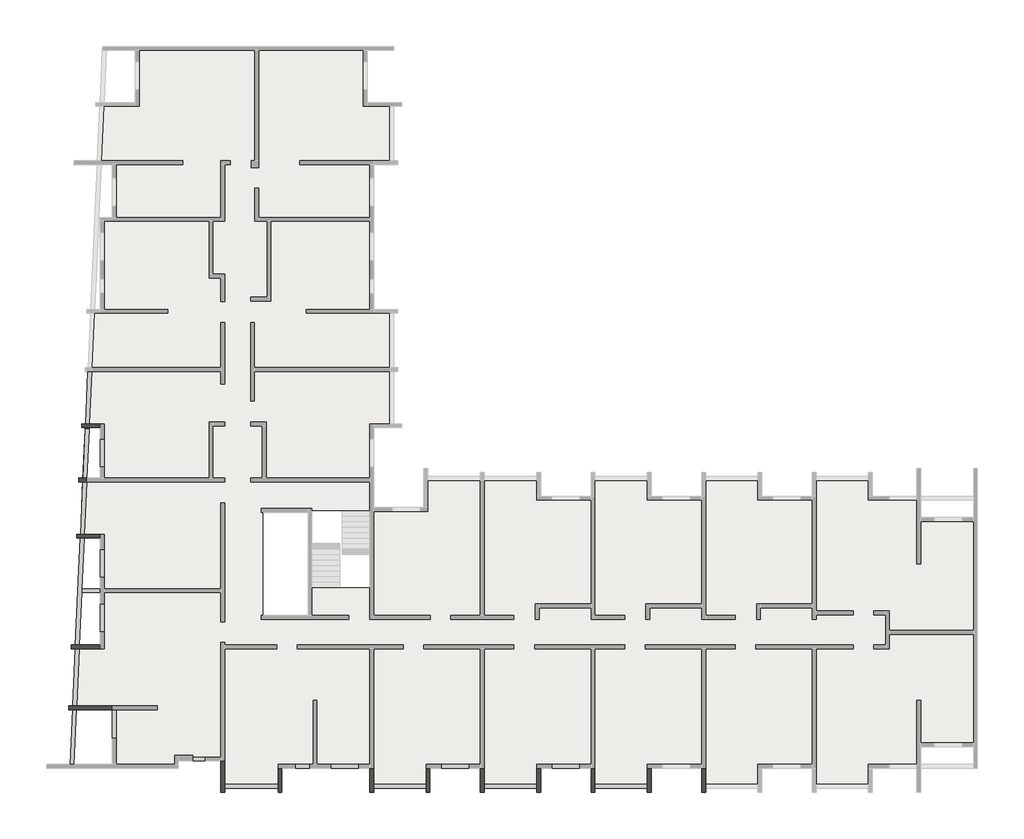
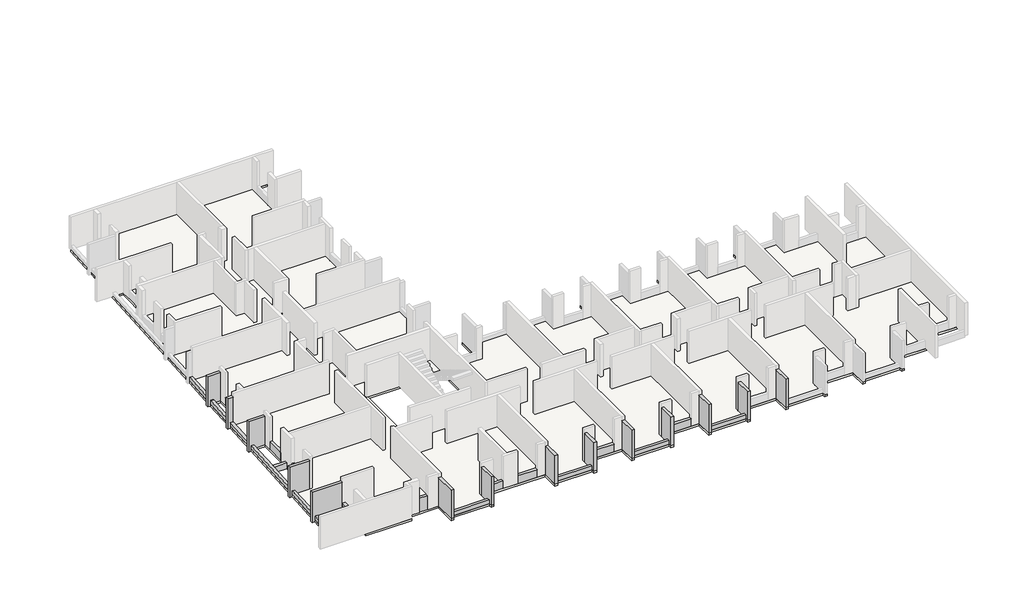
# One storey, part 3 of 4: 35 beams, 1 slab.
"""IFC4 building model written with IfcOpenShell, lengths in millimetres."""

from ifc_helpers import new_model, si_unit, frame, origin, place, context, project, spatial, polyline, outline, extrude, faceted_brep, element, save

model = new_model("IFC4")

# Units and contexts
model_context = context("Model", 3, world=origin())
ifc_project = project(units=[si_unit("LENGTHUNIT", "METRE", prefix="MILLI")], contexts=[model_context])

# Site, building, storey
site = spatial("IfcSite", under=ifc_project)
building = spatial("IfcBuilding", under=site)
storey = spatial("IfcBuildingStorey", under=building, Elevation=7230.0)

# Beams
placement = place(None, origin())
element("IfcBeam", 1, ObjectType="VI. 20/125", at=placement, inside=storey, context=model_context, shape_type="SweptSolid", body=[
    extrude(outline(polyline([(-37760.6912908, -18849.0672499), (-37760.6912908, -19049.0672499), (-38350.6912908, -19049.0672499), (-38350.6912908, -18849.0672499), (-37760.6912908, -18849.0672499)])), frame((0.0, 0.0, 7230.0), z_axis=(0.0, 0.0, 1.0), x_axis=(1.0, 0.0, 0.0)), (0.0, 0.0, 1.0), 1100.0),
])
element("IfcBeam", 2, ObjectType="VI. 20/238", at=placement, inside=storey, context=model_context, shape_type="Brep", body=[
    faceted_brep([(-11995.6912908, -20669.0672499, 9460.0), (-12195.6912908, -20669.0672499, 9460.0), (-12195.6912908, -20669.0672499, 7230.0), (-11995.6912908, -20669.0672499, 7230.0), (-12195.6912908, -19419.0672499, 9460.0), (-11995.6912908, -19419.0672499, 9460.0), (-11995.6912908, -19419.0672499, 7230.0), (-12195.6912908, -19419.0672499, 7230.0), (-11995.6912908, -20449.0672499, 7230.0), (-11995.6912908, -20249.0672499, 7230.0)], [[[0, 1, 2, 3]], [[4, 5, 6, 7]], [[1, 4, 7, 2]], [[5, 0, 3, 8, 9, 6]], [[1, 0, 5, 4]], [[3, 2, 7, 6, 9, 8]]]),
])
element("IfcBeam", 3, ObjectType="VI. 20/238", at=placement, inside=storey, context=model_context, shape_type="Brep", body=[
    faceted_brep([(-14795.6912908, -20669.0672499, 9460.0), (-14995.6912908, -20669.0672499, 9460.0), (-14995.6912908, -20669.0672499, 7230.0), (-14795.6912908, -20669.0672499, 7230.0), (-14995.6912908, -19419.0672499, 9460.0), (-14795.6912908, -19419.0672499, 9460.0), (-14795.6912908, -19419.0672499, 7230.0), (-14995.6912908, -19419.0672499, 7230.0), (-14995.6912908, -20249.0672499, 7230.0), (-14995.6912908, -20449.0672499, 7230.0)], [[[0, 1, 2, 3]], [[4, 5, 6, 7]], [[1, 4, 7, 8, 9, 2]], [[5, 0, 3, 6]], [[1, 0, 5, 4]], [[3, 2, 9, 8, 7, 6]]]),
])
element("IfcBeam", 4, ObjectType="VI. 20/238", at=placement, inside=storey, context=model_context, shape_type="Brep", body=[
    faceted_brep([(-17685.6912908, -20669.0672499, 9460.0), (-17885.6912908, -20669.0672499, 9460.0), (-17885.6912908, -20669.0672499, 7230.0), (-17685.6912908, -20669.0672499, 7230.0), (-17885.6912908, -19419.0672499, 9460.0), (-17685.6912908, -19419.0672499, 9460.0), (-17685.6912908, -19419.0672499, 7230.0), (-17885.6912908, -19419.0672499, 7230.0), (-17685.6912908, -20449.0672499, 7230.0), (-17685.6912908, -20249.0672499, 7230.0)], [[[0, 1, 2, 3]], [[4, 5, 6, 7]], [[1, 4, 7, 2]], [[5, 0, 3, 8, 9, 6]], [[1, 0, 5, 4]], [[3, 2, 7, 6, 9, 8]]]),
])
element("IfcBeam", 5, ObjectType="VI. 20/238", at=placement, inside=storey, context=model_context, shape_type="Brep", body=[
    faceted_brep([(-20485.6912908, -20669.0672499, 9460.0), (-20685.6912908, -20669.0672499, 9460.0), (-20685.6912908, -20669.0672499, 7230.0), (-20485.6912908, -20669.0672499, 7230.0), (-20685.6912908, -19419.0672499, 9460.0), (-20485.6912908, -19419.0672499, 9460.0), (-20485.6912908, -19419.0672499, 7230.0), (-20685.6912908, -19419.0672499, 7230.0), (-20685.6912908, -20249.0672499, 7230.0), (-20685.6912908, -20449.0672499, 7230.0)], [[[0, 1, 2, 3]], [[4, 5, 6, 7]], [[1, 4, 7, 8, 9, 2]], [[5, 0, 3, 6]], [[1, 0, 5, 4]], [[3, 2, 9, 8, 7, 6]]]),
])
element("IfcBeam", 6, ObjectType="VI. 20/238", at=placement, inside=storey, context=model_context, shape_type="Brep", body=[
    faceted_brep([(-23375.6912908, -20669.0672499, 9460.0), (-23575.6912908, -20669.0672499, 9460.0), (-23575.6912908, -20669.0672499, 7230.0), (-23375.6912908, -20669.0672499, 7230.0), (-23575.6912908, -19419.0672499, 9460.0), (-23375.6912908, -19419.0672499, 9460.0), (-23375.6912908, -19419.0672499, 7230.0), (-23575.6912908, -19419.0672499, 7230.0), (-23375.6912908, -20449.0672499, 7230.0), (-23375.6912908, -20249.0672499, 7230.0)], [[[0, 1, 2, 3]], [[4, 5, 6, 7]], [[1, 4, 7, 2]], [[5, 0, 3, 8, 9, 6]], [[1, 0, 5, 4]], [[3, 2, 7, 6, 9, 8]]]),
])
element("IfcBeam", 7, ObjectType="VI. 20/238", at=placement, inside=storey, context=model_context, shape_type="Brep", body=[
    faceted_brep([(-26175.6912908, -20669.0672499, 9460.0), (-26375.6912908, -20669.0672499, 9460.0), (-26375.6912908, -20669.0672499, 7230.0), (-26175.6912908, -20669.0672499, 7230.0), (-26375.6912908, -19419.0672499, 9460.0), (-26175.6912908, -19419.0672499, 9460.0), (-26175.6912908, -19419.0672499, 7230.0), (-26375.6912908, -19419.0672499, 7230.0), (-26375.6912908, -20249.0672499, 7230.0), (-26375.6912908, -20449.0672499, 7230.0)], [[[0, 1, 2, 3]], [[4, 5, 6, 7]], [[1, 4, 7, 8, 9, 2]], [[5, 0, 3, 6]], [[1, 0, 5, 4]], [[3, 2, 9, 8, 7, 6]]]),
])
element("IfcBeam", 8, ObjectType="VI. 20/238", at=placement, inside=storey, context=model_context, shape_type="Brep", body=[
    faceted_brep([(-29065.6912908, -20669.0672499, 9460.0), (-29265.6912908, -20669.0672499, 9460.0), (-29265.6912908, -20669.0672499, 7230.0), (-29065.6912908, -20669.0672499, 7230.0), (-29265.6912908, -19419.0672499, 9460.0), (-29065.6912908, -19419.0672499, 9460.0), (-29065.6912908, -19419.0672499, 7230.0), (-29265.6912908, -19419.0672499, 7230.0), (-29065.6912908, -20449.0672499, 7230.0), (-29065.6912908, -20249.0672499, 7230.0)], [[[0, 1, 2, 3]], [[4, 5, 6, 7]], [[1, 4, 7, 2]], [[5, 0, 3, 8, 9, 6]], [[1, 0, 5, 4]], [[3, 2, 7, 6, 9, 8]]]),
])
element("IfcBeam", 9, ObjectType="VI. 20/238", at=placement, inside=storey, context=model_context, shape_type="Brep", body=[
    faceted_brep([(-33785.6912908, -20669.0672499, 9460.0), (-33985.6912908, -20669.0672499, 9460.0), (-33985.6912908, -20669.0672499, 7230.0), (-33785.6912908, -20669.0672499, 7230.0), (-33985.6912908, -19419.0672499, 9460.0), (-33785.6912908, -19419.0672499, 9460.0), (-33785.6912908, -19419.0672499, 7230.0), (-33985.6912908, -19419.0672499, 7230.0), (-33985.6912908, -20249.0672499, 7230.0), (-33985.6912908, -20449.0672499, 7230.0)], [[[0, 1, 2, 3]], [[4, 5, 6, 7]], [[1, 4, 7, 8, 9, 2]], [[5, 0, 3, 6]], [[1, 0, 5, 4]], [[3, 2, 9, 8, 7, 6]]]),
])
element("IfcBeam", 10, ObjectType="VI. 20/238", at=placement, inside=storey, context=model_context, shape_type="Brep", body=[
    faceted_brep([(-36735.6912908, -20669.0672499, 9460.0), (-36935.6912908, -20669.0672499, 9460.0), (-36935.6912908, -20669.0672499, 7230.0), (-36735.6912908, -20669.0672499, 7230.0), (-36935.6912908, -19049.0672499, 9460.0), (-36735.6912908, -19049.0672499, 9460.0), (-36735.6912908, -19049.0672499, 7230.0), (-36935.6912908, -19049.0672499, 7230.0), (-36735.6912908, -20449.0672499, 7230.0), (-36735.6912908, -20249.0672499, 7230.0)], [[[0, 1, 2, 3]], [[4, 5, 6, 7]], [[1, 4, 7, 2]], [[5, 0, 3, 8, 9, 6]], [[1, 0, 5, 4]], [[3, 2, 7, 6, 9, 8]]]),
])
element("IfcBeam", 11, ObjectType="VI. 20/238", at=placement, inside=storey, context=model_context, shape_type="Brep", body=[
    faceted_brep([(-44760.6912908, -16219.0891641, 9460.0), (-44760.6912908, -16219.0891641, 7080.0), (-44760.6912908, -16419.0891641, 7080.0), (-44760.6912908, -16419.0891641, 9460.0), (-42525.6912908, -16219.0891641, 9460.0), (-42525.6912908, -16219.0891641, 7230.0), (-44352.8043976, -16219.0891641, 7230.0), (-44553.0100894, -16219.0891641, 7230.0), (-44553.0100894, -16219.0891641, 7080.0), (-44562.0830718, -16419.0891641, 7080.0), (-44562.0830718, -16419.0891641, 7230.0), (-44361.876386, -16419.0891641, 7230.0), (-42525.6912908, -16419.0891641, 7230.0), (-42525.6912908, -16419.0891641, 9460.0)], [[[0, 1, 2, 3]], [[1, 0, 4, 5, 6, 7, 8]], [[2, 1, 8, 9]], [[3, 2, 9, 10, 11, 12, 13]], [[0, 3, 13, 4]], [[7, 10, 9, 8]], [[10, 7, 6, 5, 12, 11]], [[5, 4, 13, 12]]]),
])
element("IfcBeam", 12, ObjectType="VI. 20/238", at=placement, inside=storey, context=model_context, shape_type="Brep", body=[
    faceted_brep([(-44615.6912908, -13079.0891641, 9460.0), (-44615.6912908, -13079.0891641, 7080.0), (-44615.6912908, -13279.0891641, 7080.0), (-44615.6912908, -13279.0891641, 9460.0), (-43135.6912908, -13079.0891641, 9460.0), (-43135.6912908, -13079.0891641, 7230.0), (-44210.3575789, -13079.0891641, 7230.0), (-44410.5642648, -13079.0891641, 7230.0), (-44410.5642648, -13079.0891641, 7080.0), (-44419.6372472, -13279.0891641, 7080.0), (-44419.6372472, -13279.0891641, 7230.0), (-44219.4315555, -13279.0891641, 7230.0), (-43135.6912908, -13279.0891641, 7230.0), (-43135.6912908, -13279.0891641, 9460.0)], [[[0, 1, 2, 3]], [[1, 0, 4, 5, 6, 7, 8]], [[2, 1, 8, 9]], [[3, 2, 9, 10, 11, 12, 13]], [[0, 3, 13, 4]], [[4, 13, 12, 5]], [[7, 10, 9, 8]], [[10, 7, 6, 5, 12, 11]]]),
])
element("IfcBeam", 13, ObjectType="VI. 20/238", at=placement, inside=storey, context=model_context, shape_type="Brep", body=[
    faceted_brep([(-44235.6912908, -4489.0672499, 9460.0), (-44235.6912908, -4489.0672499, 7080.0), (-44235.6912908, -4689.0672499, 7080.0), (-44235.6912908, -4689.0672499, 9460.0), (-43820.6729822, -4489.0672499, 9460.0), (-43820.6729822, -4489.0672499, 7530.0), (-44020.878674, -4489.0672499, 7530.0), (-44020.878674, -4489.0672499, 7230.0), (-44020.878674, -4489.0672499, 7080.0), (-44029.9516564, -4689.0672499, 7080.0), (-44029.9516564, -4689.0672499, 7230.0), (-44029.9516564, -4689.0672499, 7530.0), (-43829.7459647, -4689.0672499, 7530.0), (-43829.7459647, -4689.0672499, 9460.0), (-43825.4150595, -4593.5990803, 7530.0), (-44025.2095791, -4584.5354195, 7530.0)], [[[0, 1, 2, 3]], [[1, 0, 4, 5, 6, 7, 8]], [[2, 1, 8, 9]], [[3, 2, 9, 10, 11, 12, 13]], [[0, 3, 13, 4]], [[4, 13, 12, 14, 5]], [[7, 6, 15, 11, 10, 9, 8]], [[6, 5, 14, 12, 11, 15]]]),
])
element("IfcBeam", 14, ObjectType="VI. 20/238", at=placement, inside=storey, context=model_context, shape_type="Brep", body=[
    faceted_brep([(-44355.6912908, -7379.0672499, 9460.0), (-44355.6912908, -7379.0672499, 7080.0), (-44355.6912908, -7579.0672499, 7080.0), (-44355.6912908, -7579.0672499, 9460.0), (-43135.6912908, -7379.0672499, 9460.0), (-43135.6912908, -7379.0672499, 7230.0), (-43951.7775788, -7379.0672499, 7230.0), (-44151.9832705, -7379.0672499, 7230.0), (-44151.9832705, -7379.0672499, 7080.0), (-44161.056253, -7579.0672499, 7080.0), (-44161.056253, -7579.0672499, 7230.0), (-43960.8505612, -7579.0672499, 7230.0), (-43135.6912908, -7579.0672499, 7230.0), (-43135.6912908, -7579.0672499, 9460.0)], [[[0, 1, 2, 3]], [[1, 0, 4, 5, 6, 7, 8]], [[2, 1, 8, 9]], [[3, 2, 9, 10, 11, 12, 13]], [[0, 3, 13, 4]], [[4, 13, 12, 5]], [[7, 10, 9, 8]], [[10, 7, 6, 5, 12, 11]]]),
])
element("IfcBeam", 15, ObjectType="VI. 20/238", at=placement, inside=storey, context=model_context, shape_type="Brep", body=[
    faceted_brep([(-44100.6912908, -1889.5482142, 9460.0), (-44100.6912908, -1689.5482142, 9460.0), (-44100.6912908, -1689.5482142, 7080.0), (-44100.6912908, -1889.5482142, 7080.0), (-43902.9517209, -1889.5482142, 7080.0), (-43902.9517209, -1889.5482142, 7230.0), (-43702.7460292, -1889.5482142, 7230.0), (-43135.6912908, -1889.5482142, 7230.0), (-43135.6912908, -1889.5482142, 9460.0), (-43893.8787384, -1689.5482142, 7080.0), (-43135.6912908, -1689.5482142, 9460.0), (-43135.6912908, -1689.5482142, 7230.0), (-43693.6730467, -1689.5482142, 7230.0), (-43893.8787384, -1689.5482142, 7230.0)], [[[0, 1, 2, 3]], [[0, 3, 4, 5, 6, 7, 8]], [[3, 2, 9, 4]], [[2, 1, 10, 11, 12, 13, 9]], [[1, 0, 8, 10]], [[10, 8, 7, 11]], [[13, 5, 4, 9]], [[5, 13, 12, 11, 7, 6]]]),
])
element("IfcBeam", 16, ObjectType="VI. 20/45", at=placement, inside=storey, context=model_context, shape_type="SweptSolid", body=[
    extrude(outline(polyline([(-14995.6912908, -20249.0672499), (-14995.6912908, -20449.0672499), (-17685.6912908, -20449.0672499), (-17685.6912908, -20249.0672499), (-14995.6912908, -20249.0672499)])), frame((0.0, 0.0, 7230.0), z_axis=(0.0, 0.0, 1.0), x_axis=(1.0, 0.0, 0.0)), (0.0, 0.0, 1.0), 300.0),
])
element("IfcBeam", 17, ObjectType="VI. 20/45", at=placement, inside=storey, context=model_context, shape_type="SweptSolid", body=[
    extrude(outline(polyline([(-20685.6912908, -20249.0672499), (-20685.6912908, -20449.0672499), (-23375.6912908, -20449.0672499), (-23375.6912908, -20249.0672499), (-20685.6912908, -20249.0672499)])), frame((0.0, 0.0, 7230.0), z_axis=(0.0, 0.0, 1.0), x_axis=(1.0, 0.0, 0.0)), (0.0, 0.0, 1.0), 300.0),
])
element("IfcBeam", 18, ObjectType="VI. 20/45", at=placement, inside=storey, context=model_context, shape_type="SweptSolid", body=[
    extrude(outline(polyline([(-26375.6912908, -20249.0672499), (-26375.6912908, -20449.0672499), (-29065.6912908, -20449.0672499), (-29065.6912908, -20249.0672499), (-26375.6912908, -20249.0672499)])), frame((0.0, 0.0, 7230.0), z_axis=(0.0, 0.0, 1.0), x_axis=(1.0, 0.0, 0.0)), (0.0, 0.0, 1.0), 300.0),
])
element("IfcBeam", 19, ObjectType="VI. 20/45", at=placement, inside=storey, context=model_context, shape_type="SweptSolid", body=[
    extrude(outline(polyline([(-33985.6912908, -20249.0672499), (-33985.6912908, -20449.0672499), (-36735.6912908, -20449.0672499), (-36735.6912908, -20249.0672499), (-33985.6912908, -20249.0672499)])), frame((0.0, 0.0, 7230.0), z_axis=(0.0, 0.0, 1.0), x_axis=(1.0, 0.0, 0.0)), (0.0, 0.0, 1.0), 300.0),
])
element("IfcBeam", 20, ObjectType="VI. 20/45", at=placement, inside=storey, context=model_context, shape_type="SweptSolid", body=[
    extrude(outline(polyline([(-44488.8981404, -19219.0672499), (-44689.1038321, -19219.0672499), (-44562.0830718, -16419.0891641), (-44361.8773801, -16419.0891641), (-44488.8981404, -19219.0672499)])), frame((0.0, 0.0, 7080.0), z_axis=(0.0, 0.0, 1.0), x_axis=(1.0, 0.0, 0.0)), (0.0, 0.0, 1.0), 450.0),
])
element("IfcBeam", 21, ObjectType="VI. 20/45", at=placement, inside=storey, context=model_context, shape_type="SweptSolid", body=[
    extrude(outline(polyline([(-44352.8043976, -16219.0891641), (-44553.0100894, -16219.0891641), (-44419.6372472, -13279.0891641), (-44219.4315555, -13279.0891641), (-44352.8043976, -16219.0891641)])), frame((0.0, 0.0, 7230.0), z_axis=(0.0, 0.0, 1.0), x_axis=(1.0, 0.0, 0.0)), (0.0, 0.0, 1.0), 300.0),
])
element("IfcBeam", 22, ObjectType="VI. 20/45", at=placement, inside=storey, context=model_context, shape_type="Brep", body=[
    faceted_brep([(-44210.3575789, -13079.0672499, 7230.0), (-43960.8505612, -7579.0672499, 7230.0), (-43960.8505612, -7579.0672499, 7530.0), (-44078.8008961, -10179.1017012, 7530.0), (-44087.8738785, -10379.1017012, 7530.0), (-44210.358573, -13079.0891641, 7530.0), (-44410.5642648, -13079.0891641, 7230.0), (-44410.5642648, -13079.0891641, 7530.0), (-44161.056253, -7579.0672499, 7530.0), (-44161.056253, -7579.0672499, 7230.0)], [[[0, 1, 2, 3, 4, 5]], [[6, 7, 8, 9]], [[7, 5, 4, 3, 2, 8]], [[1, 0, 6, 9]], [[0, 5, 7, 6]], [[2, 1, 9, 8]]]),
])
element("IfcBeam", 23, ObjectType="VI. 20/45", at=placement, inside=storey, context=model_context, shape_type="Brep", body=[
    faceted_brep([(-44087.8738785, -10379.1017012, 7080.0), (-43135.6912908, -10379.1017012, 7080.0), (-43135.6912908, -10379.1017012, 7230.0), (-43135.6912908, -10379.1017012, 7530.0), (-44087.8738785, -10379.1017012, 7530.0), (-44087.8738785, -10379.1017012, 7230.0), (-43135.6912908, -10179.1017012, 7080.0), (-44078.8008961, -10179.1017012, 7080.0), (-44078.8008961, -10179.1017012, 7230.0), (-44078.8008961, -10179.1017012, 7530.0), (-43135.6912908, -10179.1017012, 7530.0), (-43135.6912908, -10179.1017012, 7230.0)], [[[0, 1, 2, 3, 4, 5]], [[6, 1, 0, 7]], [[6, 7, 8, 9, 10, 11]], [[9, 4, 3, 10]], [[1, 6, 11, 10, 3, 2]], [[7, 0, 5, 4, 9, 8]]]),
])
element("IfcBeam", 24, ObjectType="VI. 20/45", at=placement, inside=storey, context=model_context, shape_type="Brep", body=[
    faceted_brep([(-43829.7459647, -4689.0672499, 7230.0), (-43825.4150595, -4593.5990803, 7230.0), (-43825.4150595, -4593.5990803, 7530.0), (-43829.7459647, -4689.0672499, 7530.0), (-43951.7775788, -7379.0672499, 7530.0), (-43951.7775788, -7379.0672499, 7230.0), (-44025.2095791, -4584.5354195, 7530.0), (-44025.2095791, -4584.5354195, 7230.0), (-44151.9832705, -7379.0672499, 7230.0), (-44151.9832705, -7379.0672499, 7530.0), (-44029.9516564, -4689.0672499, 7530.0)], [[[0, 1, 2, 3, 4, 5]], [[6, 7, 8, 9, 10]], [[2, 6, 10, 9, 4, 3]], [[1, 0, 5, 8, 7]], [[6, 2, 1, 7]], [[5, 4, 9, 8]]]),
])
element("IfcBeam", 25, ObjectType="VI. 20/45", at=placement, inside=storey, context=model_context, shape_type="Brep", body=[
    faceted_brep([(-43820.6729822, -4489.0672499, 7230.0), (-43705.7747362, -1956.311422, 7230.0), (-43705.7747362, -1956.311422, 7530.0), (-43820.6729822, -4489.0672499, 7530.0), (-43825.4150595, -4593.5990803, 7530.0), (-43825.4150595, -4593.5990803, 7230.0), (-44025.2095791, -4584.5354195, 7530.0), (-44020.878674, -4489.0672499, 7530.0), (-43905.5692558, -1947.2477611, 7530.0), (-43905.5692558, -1947.2477611, 7230.0), (-44025.2095791, -4584.5354195, 7230.0)], [[[0, 1, 2, 3, 4, 5]], [[6, 7, 8, 9, 10]], [[8, 7, 6, 4, 3, 2]], [[1, 0, 5, 10, 9]], [[8, 2, 1, 9]], [[4, 6, 10, 5]]]),
])
element("IfcBeam", 26, ObjectType="VI. 20/45", at=placement, inside=storey, context=model_context, shape_type="SweptSolid", body=[
    extrude(outline(polyline([(-43771.8253055, 1000.9327501), (-43571.6196137, 1000.9327501), (-43693.6730467, -1689.5482142), (-43893.8787384, -1689.5482142), (-43771.8253055, 1000.9327501)])), frame((0.0, 0.0, 7230.0), z_axis=(0.0, 0.0, 1.0), x_axis=(1.0, 0.0, 0.0)), (0.0, 0.0, 1.0), 300.0),
])
element("IfcBeam", 27, ObjectType="VI. 20/45", at=placement, inside=storey, context=model_context, shape_type="SweptSolid", body=[
    extrude(outline(polyline([(-43702.7460292, -1889.5482142), (-43705.7747362, -1956.311422), (-43905.5692558, -1947.2477611), (-43902.9517209, -1889.5482142), (-43702.7460292, -1889.5482142)])), frame((0.0, 0.0, 7230.0), z_axis=(0.0, 0.0, 1.0), x_axis=(1.0, 0.0, 0.0)), (0.0, 0.0, 1.0), 300.0),
])
element("IfcBeam", 28, ObjectType="VI. 20/75", at=placement, inside=storey, context=model_context, shape_type="SweptSolid", body=[
    extrude(outline(polyline([(-18465.6912908, -19219.0672499), (-18465.6912908, -19419.0672499), (-19905.6912908, -19419.0672499), (-19905.6912908, -19219.0672499), (-18465.6912908, -19219.0672499)])), frame((0.0, 0.0, 7230.0), z_axis=(0.0, 0.0, 1.0), x_axis=(1.0, 0.0, 0.0)), (0.0, 0.0, 1.0), 600.0),
])
element("IfcBeam", 29, ObjectType="VI. 20/75", at=placement, inside=storey, context=model_context, shape_type="SweptSolid", body=[
    extrude(outline(polyline([(-24155.6912908, -19219.0672499), (-24155.6912908, -19419.0672499), (-25595.6912908, -19419.0672499), (-25595.6912908, -19219.0672499), (-24155.6912908, -19219.0672499)])), frame((0.0, 0.0, 7230.0), z_axis=(0.0, 0.0, 1.0), x_axis=(1.0, 0.0, 0.0)), (0.0, 0.0, 1.0), 600.0),
])
element("IfcBeam", 30, ObjectType="VI. 20/75", at=placement, inside=storey, context=model_context, shape_type="SweptSolid", body=[
    extrude(outline(polyline([(-29845.6912908, -19219.0672499), (-29845.6912908, -19419.0672499), (-31285.6912908, -19419.0672499), (-31285.6912908, -19219.0672499), (-29845.6912908, -19219.0672499)])), frame((0.0, 0.0, 7230.0), z_axis=(0.0, 0.0, 1.0), x_axis=(1.0, 0.0, 0.0)), (0.0, 0.0, 1.0), 600.0),
])
element("IfcBeam", 31, ObjectType="VI. 20/75", at=placement, inside=storey, context=model_context, shape_type="SweptSolid", body=[
    extrude(outline(polyline([(-42935.6912908, -3909.0672499), (-43135.6912908, -3909.0672499), (-43135.6912908, -2469.0672499), (-42935.6912908, -2469.0672499), (-42935.6912908, -3909.0672499)])), frame((0.0, 0.0, 7230.0), z_axis=(0.0, 0.0, 1.0), x_axis=(1.0, 0.0, 0.0)), (0.0, 0.0, 1.0), 600.0),
])
element("IfcBeam", 32, ObjectType="VI. 20/75", at=placement, inside=storey, context=model_context, shape_type="SweptSolid", body=[
    extrude(outline(polyline([(-42525.6912908, -16419.0672499), (-42325.6912908, -16419.0672499), (-42325.6912908, -17889.0672499), (-42525.6912908, -17889.0672499), (-42525.6912908, -16419.0672499)])), frame((0.0, 0.0, 7230.0), z_axis=(0.0, 0.0, 1.0), x_axis=(1.0, 0.0, 0.0)), (0.0, 0.0, 1.0), 600.0),
])
element("IfcBeam", 33, ObjectType="VI. 20/75", at=placement, inside=storey, context=model_context, shape_type="SweptSolid", body=[
    extrude(outline(polyline([(-42935.6912908, -9599.0672499), (-43135.6912908, -9599.0672499), (-43135.6912908, -8159.0672499), (-42935.6912908, -8159.0672499), (-42935.6912908, -9599.0672499)])), frame((0.0, 0.0, 7230.0), z_axis=(0.0, 0.0, 1.0), x_axis=(1.0, 0.0, 0.0)), (0.0, 0.0, 1.0), 600.0),
])
element("IfcBeam", 34, ObjectType="VI. 20/75", at=placement, inside=storey, context=model_context, shape_type="SweptSolid", body=[
    extrude(outline(polyline([(-42935.6912908, -12399.0672499), (-43135.6912908, -12399.0672499), (-43135.6912908, -10959.0672499), (-42935.6912908, -10959.0672499), (-42935.6912908, -12399.0672499)])), frame((0.0, 0.0, 7230.0), z_axis=(0.0, 0.0, 1.0), x_axis=(1.0, 0.0, 0.0)), (0.0, 0.0, 1.0), 600.0),
])
element("IfcBeam", 35, ObjectType="VI. 20/75", at=placement, inside=storey, context=model_context, shape_type="SweptSolid", body=[
    extrude(outline(polyline([(-32365.6912908, -19219.0672499), (-32365.6912908, -19419.0672499), (-33105.6912908, -19419.0672499), (-33105.6912908, -19219.0672499), (-32365.6912908, -19219.0672499)])), frame((0.0, 0.0, 7230.0), z_axis=(0.0, 0.0, 1.0), x_axis=(1.0, 0.0, 0.0)), (0.0, 0.0, 1.0), 600.0),
])

# Slab
element("IfcSlab", 36, ObjectType="LHA15", at=placement, inside=storey, context=model_context, shape_type="Brep", body=[
    faceted_brep([(1994.3087092, -18319.0672499, 7080.0), (1994.3087092, -18319.0672499, 7230.0), (1189.3087092, -18319.0672499, 7230.0), (-200.6912908, -18319.0672499, 7230.0), (-925.6912908, -18319.0672499, 7230.0), (-925.6912908, -18319.0672499, 7080.0), (-925.6912908, -19419.0672499, 7230.0), (-925.6912908, -19419.0672499, 7080.0), (-925.6912908, -19219.0672499, 7080.0), (-1125.6912908, -19419.0672499, 7230.0), (-2545.6912908, -19419.0672499, 7230.0), (-3415.6912908, -19419.0672499, 7230.0), (-3415.6912908, -19419.0672499, 7080.0), (-3415.6912908, -20669.0672499, 7230.0), (-3415.6912908, -20669.0672499, 7080.0), (-6505.6912908, -20669.0672499, 7080.0), (-6505.6912908, -20669.0672499, 7230.0), (-6505.6912908, -19419.0672499, 7230.0), (-6505.6912908, -19419.0672499, 7080.0), (-7085.6912908, -19419.0672499, 7230.0), (-8525.6912908, -19419.0672499, 7230.0), (-9105.6912908, -19419.0672499, 7230.0), (-9105.6912908, -19419.0672499, 7080.0), (-9105.6912908, -20669.0672499, 7230.0), (-9105.6912908, -20669.0672499, 7080.0), (-12195.6912908, -20669.0672499, 7080.0), (-12195.6912908, -20669.0672499, 7230.0), (-12195.6912908, -19419.0672499, 7230.0), (-12195.6912908, -19419.0672499, 7080.0), (-12775.6912908, -19419.0672499, 7230.0), (-14215.6912908, -19419.0672499, 7230.0), (-14795.6912908, -19419.0672499, 7230.0), (-14795.6912908, -19419.0672499, 7080.0), (-14795.6912908, -20669.0672499, 7230.0), (-14795.6912908, -20669.0672499, 7080.0), (-17885.6912908, -20669.0672499, 7080.0), (-17885.6912908, -20669.0672499, 7230.0), (-17885.6912908, -19419.0672499, 7230.0), (-17885.6912908, -19419.0672499, 7080.0), (-18465.6912908, -19419.0672499, 7230.0), (-19905.6912908, -19419.0672499, 7230.0), (-20485.6912908, -19419.0672499, 7230.0), (-20485.6912908, -19419.0672499, 7080.0), (-20485.6912908, -20669.0672499, 7230.0), (-20485.6912908, -20669.0672499, 7080.0), (-23575.6912908, -20669.0672499, 7080.0), (-23575.6912908, -20669.0672499, 7230.0), (-23575.6912908, -19419.0672499, 7230.0), (-23575.6912908, -19419.0672499, 7080.0), (-24155.6912908, -19419.0672499, 7230.0), (-25595.6912908, -19419.0672499, 7230.0), (-26175.6912908, -19419.0672499, 7230.0), (-26175.6912908, -19419.0672499, 7080.0), (-26175.6912908, -20669.0672499, 7230.0), (-26175.6912908, -20669.0672499, 7080.0), (-29265.6912908, -20669.0672499, 7080.0), (-29265.6912908, -20669.0672499, 7230.0), (-29265.6912908, -19419.0672499, 7230.0), (-29265.6912908, -19419.0672499, 7080.0), (-29845.6912908, -19419.0672499, 7230.0), (-31285.6912908, -19419.0672499, 7230.0), (-32365.6912908, -19419.0672499, 7230.0), (-33105.6912908, -19419.0672499, 7230.0), (-33785.6912908, -19419.0672499, 7230.0), (-33785.6912908, -19419.0672499, 7080.0), (-33785.6912908, -20669.0672499, 7230.0), (-33785.6912908, -20669.0672499, 7080.0), (-36935.6912908, -20669.0672499, 7080.0), (-36935.6912908, -20669.0672499, 7230.0), (-36935.6912908, -19049.0672499, 7230.0), (-36935.6912908, -19049.0672499, 7080.0), (-37760.6912908, -19049.0672499, 7230.0), (-38350.6912908, -19049.0672499, 7230.0), (-39115.6912908, -19049.0672499, 7230.0), (-39115.6912908, -19049.0672499, 7080.0), (-39115.6912908, -19419.0672499, 7230.0), (-39115.6912908, -19419.0672499, 7080.0), (-42525.6912908, -19419.0672499, 7230.0), (-42525.6912908, -19419.0672499, 7080.0), (-41335.6912908, 17730.9327501, 7080.0), (-41335.6912908, 17730.9327501, 7230.0), (-28035.6912908, 17730.9327501, 7230.0), (-28035.6912908, 17730.9327501, 7080.0), (-29395.6912908, 17530.9327501, 7080.0), (-29395.6912908, 17530.9327501, 7230.0), (-29395.6912908, 16950.9327501, 7230.0), (-29395.6912908, 15510.9327501, 7230.0), (-29395.6912908, 14850.8982988, 7230.0), (-29395.6912908, 14850.8982988, 7080.0), (-27635.6912908, 14850.8982988, 7230.0), (-27635.6912908, 14850.8982988, 7080.0), (-28035.6912908, 14650.9327501, 7080.0), (-28035.6912908, 14650.9327501, 7230.0), (-28035.6912908, 11850.9327501, 7230.0), (-28035.6912908, 11850.9327501, 7080.0), (-27835.6912908, 11650.9327501, 7080.0), (-27835.6912908, 11650.9327501, 7230.0), (-29065.6912908, 11650.9327501, 7230.0), (-29065.6912908, 11650.9327501, 7080.0), (-29065.6912908, 10925.9327501, 7230.0), (-29065.6912908, 9535.9327501, 7230.0), (-29065.6912908, 8150.9327501, 7230.0), (-29065.6912908, 6710.9327501, 7230.0), (-29065.6912908, 5760.9327501, 7230.0), (-29065.6912908, 5020.9327501, 7230.0), (-29065.6912908, 4200.9327501, 7230.0), (-29065.6912908, 4200.9327501, 7080.0), (-27835.6912908, 4200.9327501, 7230.0), (-27835.6912908, 4200.9327501, 7080.0), (-28035.6912908, 1000.9327501, 7080.0), (-28035.6912908, 1000.9327501, 7230.0), (-28035.6912908, -1689.5482142, 7230.0), (-28035.6912908, -1689.5482142, 7080.0), (-29065.6912908, -1889.5482142, 7080.0), (-29065.6912908, -1889.5482142, 7230.0), (-29065.6912908, -2469.0672499, 7230.0), (-29065.6912908, -3909.0672499, 7230.0), (-29065.6912908, -6004.0672499, 7230.0), (-29065.6912908, -6004.0672499, 7080.0), (-28115.6912908, -6004.0672499, 7230.0), (-26675.6912908, -6004.0672499, 7230.0), (-26495.6912908, -6004.0672499, 7230.0), (-26495.6912908, -6004.0672499, 7080.0), (-26495.6912908, -3999.0672499, 7230.0), (-26495.6912908, -3999.0672499, 7080.0), (-26295.6912908, -4399.0672499, 7080.0), (-26295.6912908, -4399.0672499, 7230.0), (-23575.6912908, -4399.0672499, 7230.0), (-23575.6912908, -4399.0672499, 7080.0), (-20485.6912908, -4199.0672499, 7080.0), (-20485.6912908, -4199.0672499, 7230.0), (-20485.6912908, -5419.0672499, 7230.0), (-20485.6912908, -5419.0672499, 7080.0), (-19905.6912908, -5419.0672499, 7230.0), (-18465.6912908, -5419.0672499, 7230.0), (-17885.6912908, -5419.0672499, 7230.0), (-17885.6912908, -5419.0672499, 7080.0), (-17885.6912908, -4199.0672499, 7230.0), (-17885.6912908, -4199.0672499, 7080.0), (-17685.6912908, -4399.0672499, 7080.0), (-17685.6912908, -4399.0672499, 7230.0), (-14995.6912908, -4399.0672499, 7230.0), (-14995.6912908, -4399.0672499, 7080.0), (-14795.6912908, -4199.0672499, 7080.0), (-14795.6912908, -4199.0672499, 7230.0), (-14795.6912908, -5419.0672499, 7230.0), (-14795.6912908, -5419.0672499, 7080.0), (-14215.6912908, -5419.0672499, 7230.0), (-12775.6912908, -5419.0672499, 7230.0), (-12195.6912908, -5419.0672499, 7230.0), (-12195.6912908, -5419.0672499, 7080.0), (-12195.6912908, -4199.0672499, 7230.0), (-12195.6912908, -4199.0672499, 7080.0), (-11995.6912908, -4399.0672499, 7080.0), (-11995.6912908, -4399.0672499, 7230.0), (-9305.6912908, -4399.0672499, 7230.0), (-9305.6912908, -4399.0672499, 7080.0), (-9105.6912908, -4199.0672499, 7080.0), (-9105.6912908, -4199.0672499, 7230.0), (-9105.6912908, -5419.0672499, 7230.0), (-9105.6912908, -5419.0672499, 7080.0), (-8525.6912908, -5419.0672499, 7230.0), (-7085.6912908, -5419.0672499, 7230.0), (-6505.6912908, -5419.0672499, 7230.0), (-6505.6912908, -5419.0672499, 7080.0), (-6505.6912908, -4199.0672499, 7230.0), (-6505.6912908, -4199.0672499, 7080.0), (-6305.6912908, -4399.0672499, 7080.0), (-6305.6912908, -4399.0672499, 7230.0), (-3615.6912908, -4399.0672499, 7230.0), (-3615.6912908, -4399.0672499, 7080.0), (-3415.6912908, -4199.0672499, 7080.0), (-3415.6912908, -4199.0672499, 7230.0), (-3415.6912908, -5419.0672499, 7230.0), (-3415.6912908, -5419.0672499, 7080.0), (-2545.6912908, -5419.0672499, 7230.0), (-1125.6912908, -5419.0672499, 7230.0), (-925.6912908, -5419.0672499, 7230.0), (-925.6912908, -5419.0672499, 7080.0), (-925.6912908, -6519.0672499, 7230.0), (-925.6912908, -6519.0672499, 7080.0), (-925.6912908, -5619.0672499, 7080.0), (-200.6912908, -6519.0672499, 7230.0), (1189.3087092, -6519.0672499, 7230.0), (1994.3087092, -6519.0672499, 7230.0), (1994.3087092, -6519.0672499, 7080.0), (-32245.6912908, -10104.0672499, 7080.0), (-32245.6912908, -10104.0672499, 7230.0), (-29265.6912908, -10104.0672499, 7230.0), (-29265.6912908, -10104.0672499, 7080.0), (-29265.6912908, -6184.0672499, 7230.0), (-29265.6912908, -6184.0672499, 7080.0), (-32245.6912908, -6184.0672499, 7230.0), (-32245.6912908, -6184.0672499, 7080.0), (-32245.6912908, -6244.0672499, 7230.0), (-32245.6912908, -6244.0672499, 7080.0), (-34745.6912908, -6244.0672499, 7230.0), (-34745.6912908, -6244.0672499, 7080.0), (-34745.6912908, -11559.0672499, 7230.0), (-34745.6912908, -11559.0672499, 7080.0), (-32245.6912908, -11559.0672499, 7230.0), (-32245.6912908, -11559.0672499, 7080.0), (-3615.6912908, -20449.0672499, 7080.0), (-3615.6912908, -20449.0672499, 7230.0), (-6305.6912908, -20449.0672499, 7230.0), (-6305.6912908, -20449.0672499, 7080.0), (-9305.6912908, -20449.0672499, 7080.0), (-9305.6912908, -20449.0672499, 7230.0), (-11995.6912908, -20449.0672499, 7230.0), (-11995.6912908, -20449.0672499, 7080.0), (-14995.6912908, -20449.0672499, 7080.0), (-14995.6912908, -20449.0672499, 7230.0), (-17685.6912908, -20449.0672499, 7230.0), (-17685.6912908, -20449.0672499, 7080.0), (-20685.6912908, -20449.0672499, 7080.0), (-20685.6912908, -20449.0672499, 7230.0), (-23375.6912908, -20449.0672499, 7230.0), (-23375.6912908, -20449.0672499, 7080.0), (-26375.6912908, -20449.0672499, 7080.0), (-26375.6912908, -20449.0672499, 7230.0), (-29065.6912908, -20449.0672499, 7230.0), (-29065.6912908, -20449.0672499, 7080.0), (-33985.6912908, -20449.0672499, 7080.0), (-33985.6912908, -20449.0672499, 7230.0), (-36735.6912908, -20449.0672499, 7230.0), (-36735.6912908, -20449.0672499, 7080.0), (-27635.6912908, -1889.5482142, 7080.0), (-27635.6912908, -1889.5482142, 7230.0), (-44689.1038321, -19219.0672499, 7080.0), (-44689.1038321, -19219.0672499, 7230.0), (-44562.0830718, -16419.0891641, 7230.0), (-44553.0100894, -16219.0891641, 7230.0), (-44419.6372472, -13279.0891641, 7230.0), (-44410.5642648, -13079.0891641, 7230.0), (-44161.056253, -7579.0672499, 7230.0), (-44151.9832705, -7379.0672499, 7230.0), (-44025.2095791, -4584.5354195, 7230.0), (-43905.5692558, -1947.2477611, 7230.0), (-43902.9517209, -1889.5482142, 7230.0), (-43893.8787384, -1689.5482142, 7230.0), (-43771.8253055, 1000.9327501, 7230.0), (-43762.752323, 1200.9327501, 7230.0), (-43635.7305686, 4000.9327501, 7230.0), (-43626.6575861, 4200.9327501, 7230.0), (-43288.6889895, 11650.9327501, 7230.0), (-43279.616007, 11850.9327501, 7230.0), (-43152.5942526, 14650.9327501, 7230.0), (-43143.5212701, 14850.9327501, 7230.0), (-43021.9433052, 17530.9327501, 7230.0), (-43021.9433052, 17530.9327501, 7080.0), (-43143.5212701, 14850.9327501, 7080.0), (-43152.5942526, 14650.9327501, 7080.0), (-43762.752323, 1200.9327501, 7080.0), (-43771.8253055, 1000.9327501, 7080.0), (-43893.8787384, -1689.5482142, 7080.0), (-43902.9517209, -1889.5482142, 7080.0), (-44020.878674, -4489.0672499, 7080.0), (-44029.9516564, -4689.0672499, 7080.0), (-44151.9832705, -7379.0672499, 7080.0), (-44161.056253, -7579.0672499, 7080.0), (-44410.5642648, -13079.0891641, 7080.0), (-44419.6372472, -13279.0891641, 7080.0), (-44553.0100894, -16219.0891641, 7080.0), (-44562.0830718, -16419.0891641, 7080.0), (-3615.6912908, -4199.0672499, 7230.0), (-6305.6912908, -4199.0672499, 7230.0), (-9305.6912908, -4199.0672499, 7230.0), (-11995.6912908, -4199.0672499, 7230.0), (-14995.6912908, -4199.0672499, 7230.0), (-17685.6912908, -4199.0672499, 7230.0), (-20685.6912908, -4199.0672499, 7230.0), (-20685.6912908, -4399.0672499, 7230.0), (-23375.6912908, -4399.0672499, 7230.0), (-23375.6912908, -4199.0672499, 7230.0), (-23575.6912908, -4199.0672499, 7230.0), (-26295.6912908, -3999.0672499, 7230.0), (-27635.6912908, -1689.5482142, 7230.0), (-27835.6912908, 1000.9327501, 7230.0), (-27835.6912908, 1200.9327501, 7230.0), (-28035.6912908, 1200.9327501, 7230.0), (-28035.6912908, 4000.9327501, 7230.0), (-27835.6912908, 4000.9327501, 7230.0), (-27835.6912908, 11850.9327501, 7230.0), (-27635.6912908, 14650.9327501, 7230.0), (-28035.6912908, 17530.9327501, 7230.0), (-41335.6912908, 16950.9327501, 7230.0), (-41335.6912908, 15510.9327501, 7230.0), (-41335.6912908, 14850.9327501, 7230.0), (-42943.3155784, 14850.9327501, 7230.0), (-42821.7376134, 17530.9327501, 7230.0), (-44488.8981404, -19219.0672499, 7230.0), (-44361.876386, -16419.0672499, 7230.0), (-42525.6912908, -16419.0672499, 7230.0), (-42525.6912908, -17889.0672499, 7230.0), (-36735.6912908, -20669.0672499, 7230.0), (-33985.6912908, -20669.0672499, 7230.0), (-29065.6912908, -20669.0672499, 7230.0), (-26375.6912908, -20669.0672499, 7230.0), (-23375.6912908, -20669.0672499, 7230.0), (-20685.6912908, -20669.0672499, 7230.0), (-17685.6912908, -20669.0672499, 7230.0), (-14995.6912908, -20669.0672499, 7230.0), (-11995.6912908, -20669.0672499, 7230.0), (-9305.6912908, -20669.0672499, 7230.0), (-6305.6912908, -20669.0672499, 7230.0), (-3615.6912908, -20669.0672499, 7230.0), (-43135.6912908, -4489.0672499, 7230.0), (-43820.6729822, -4489.0672499, 7230.0), (-43705.7747362, -1956.311422, 7230.0), (-43702.7460292, -1889.5482142, 7230.0), (-43135.6912908, -1889.5482142, 7230.0), (-43135.6912908, -2469.0672499, 7230.0), (-43135.6912908, -3909.0672499, 7230.0), (-42525.6912908, 8930.9327501, 7230.0), (-43135.6912908, 8930.9327501, 7230.0), (-43211.8758592, 8930.9327501, 7230.0), (-43088.4832977, 11650.9327501, 7230.0), (-42525.6912908, 11650.9327501, 7230.0), (-42525.6912908, 10950.9327501, 7230.0), (-42525.6912908, 9510.9327501, 7230.0), (-43426.4518943, 4200.9327501, 7230.0), (-43220.9488416, 8730.9327501, 7230.0), (-43135.6912908, 8730.9327501, 7230.0), (-43135.6912908, 8150.9327501, 7230.0), (-43135.6912908, 6710.9327501, 7230.0), (-43135.6912908, 5770.9327501, 7230.0), (-43135.6912908, 5030.9327501, 7230.0), (-43135.6912908, 4200.9327501, 7230.0), (-44210.3575789, -13079.0672499, 7230.0), (-43960.8505612, -7579.0672499, 7230.0), (-43135.6912908, -7579.0672499, 7230.0), (-43135.6912908, -8159.0672499, 7230.0), (-43135.6912908, -9599.0672499, 7230.0), (-43135.6912908, -10959.0672499, 7230.0), (-43135.6912908, -12399.0672499, 7230.0), (-43135.6912908, -13079.0672499, 7230.0), (-3615.6912908, -20669.0672499, 7080.0), (-6305.6912908, -20669.0672499, 7080.0), (-9305.6912908, -20669.0672499, 7080.0), (-11995.6912908, -20669.0672499, 7080.0), (-14995.6912908, -20669.0672499, 7080.0), (-17685.6912908, -20669.0672499, 7080.0), (-20685.6912908, -20669.0672499, 7080.0), (-23375.6912908, -20669.0672499, 7080.0), (-26375.6912908, -20669.0672499, 7080.0), (-29065.6912908, -20669.0672499, 7080.0), (-33985.6912908, -20669.0672499, 7080.0), (-36735.6912908, -20669.0672499, 7080.0), (-42525.6912908, -16419.0672499, 7080.0), (-44361.876386, -16419.0672499, 7080.0), (-44488.8981404, -19219.0672499, 7080.0), (-42821.7376134, 17530.9327501, 7080.0), (-42943.3155784, 14850.9327501, 7080.0), (-41335.6912908, 14850.9327501, 7080.0), (-28035.6912908, 17530.9327501, 7080.0), (-27635.6912908, 14650.9327501, 7080.0), (-27835.6912908, 11850.9327501, 7080.0), (-27835.6912908, 4000.9327501, 7080.0), (-28035.6912908, 4000.9327501, 7080.0), (-28035.6912908, 1200.9327501, 7080.0), (-27835.6912908, 1200.9327501, 7080.0), (-27835.6912908, 1000.9327501, 7080.0), (-27635.6912908, -1689.5482142, 7080.0), (-26295.6912908, -3999.0672499, 7080.0), (-23575.6912908, -4199.0672499, 7080.0), (-23375.6912908, -4199.0672499, 7080.0), (-23375.6912908, -4399.0672499, 7080.0), (-20685.6912908, -4399.0672499, 7080.0), (-20685.6912908, -4199.0672499, 7080.0), (-17685.6912908, -4199.0672499, 7080.0), (-14995.6912908, -4199.0672499, 7080.0), (-11995.6912908, -4199.0672499, 7080.0), (-9305.6912908, -4199.0672499, 7080.0), (-6305.6912908, -4199.0672499, 7080.0), (-3615.6912908, -4199.0672499, 7080.0), (-44210.3575789, -13079.0672499, 7080.0), (-43135.6912908, -13079.0672499, 7080.0), (-43135.6912908, -10379.1017012, 7080.0), (-43135.6912908, -10179.1017012, 7080.0), (-43135.6912908, -7579.0672499, 7080.0), (-43960.8505612, -7579.0672499, 7080.0), (-44078.8008961, -10179.1017012, 7080.0), (-44087.8738785, -10379.1017012, 7080.0), (-43135.6912908, -4489.0672499, 7080.0), (-43135.6912908, -3909.0672499, 7080.0), (-43135.6912908, -1889.5482142, 7080.0), (-43702.7460292, -1889.5482142, 7080.0), (-43820.6729822, -4489.0672499, 7080.0), (-43426.4518943, 4200.9327501, 7080.0), (-43135.6912908, 4200.9327501, 7080.0), (-43135.6912908, 8730.9327501, 7080.0), (-43220.9488416, 8730.9327501, 7080.0), (-42525.6912908, 8930.9327501, 7080.0), (-42525.6912908, 11650.9327501, 7080.0), (-43088.4832977, 11650.9327501, 7080.0), (-43211.8758592, 8930.9327501, 7080.0)], [[[0, 1, 2, 3, 4, 5]], [[5, 4, 6, 7, 8]], [[7, 6, 9, 10, 11, 12]], [[12, 11, 13, 14]], [[15, 16, 17, 18]], [[18, 17, 19, 20, 21, 22]], [[22, 21, 23, 24]], [[25, 26, 27, 28]], [[28, 27, 29, 30, 31, 32]], [[32, 31, 33, 34]], [[35, 36, 37, 38]], [[38, 37, 39, 40, 41, 42]], [[42, 41, 43, 44]], [[45, 46, 47, 48]], [[48, 47, 49, 50, 51, 52]], [[52, 51, 53, 54]], [[55, 56, 57, 58]], [[58, 57, 59, 60, 61, 62, 63, 64]], [[64, 63, 65, 66]], [[67, 68, 69, 70]], [[70, 69, 71, 72, 73, 74]], [[74, 73, 75, 76]], [[76, 75, 77, 78]], [[79, 80, 81, 82]], [[83, 84, 85, 86, 87, 88]], [[88, 87, 89, 90]], [[91, 92, 93, 94]], [[95, 96, 97, 98]], [[98, 97, 99, 100, 101, 102, 103, 104, 105, 106]], [[106, 105, 107, 108]], [[109, 110, 111, 112]], [[113, 114, 115, 116, 117, 118]], [[118, 117, 119, 120, 121, 122]], [[122, 121, 123, 124]], [[125, 126, 127, 128]], [[129, 130, 131, 132]], [[132, 131, 133, 134, 135, 136]], [[136, 135, 137, 138]], [[139, 140, 141, 142]], [[143, 144, 145, 146]], [[146, 145, 147, 148, 149, 150]], [[150, 149, 151, 152]], [[153, 154, 155, 156]], [[157, 158, 159, 160]], [[160, 159, 161, 162, 163, 164]], [[164, 163, 165, 166]], [[167, 168, 169, 170]], [[171, 172, 173, 174]], [[174, 173, 175, 176, 177, 178]], [[178, 177, 179, 180, 181]], [[180, 179, 182, 183, 184, 185]], [[185, 184, 1, 0]], [[186, 187, 188, 189]], [[189, 188, 190, 191]], [[191, 190, 192, 193]], [[193, 192, 194, 195]], [[195, 194, 196, 197]], [[197, 196, 198, 199]], [[199, 198, 200, 201]], [[201, 200, 187, 186]], [[202, 203, 204, 205]], [[206, 207, 208, 209]], [[210, 211, 212, 213]], [[214, 215, 216, 217]], [[218, 219, 220, 221]], [[222, 223, 224, 225]], [[226, 227, 114, 113]], [[228, 229, 230, 231, 232, 233, 234, 235, 236, 237, 238, 239, 240, 241, 242, 243, 244, 245, 246, 247, 248, 249, 250, 251, 252, 253, 254, 255, 256, 257, 258, 259, 260, 261, 262, 263]], [[184, 183, 182, 179, 177, 176, 175, 173, 172, 264, 169, 168, 265, 165, 163, 162, 161, 159, 158, 266, 155, 154, 267, 151, 149, 148, 147, 145, 144, 268, 141, 140, 269, 137, 135, 134, 133, 131, 130, 270, 271, 272, 273, 274, 127, 126, 275, 123, 121, 120, 119, 117, 116, 115, 114, 227, 276, 111, 110, 277, 278, 279, 280, 281, 107, 105, 104, 103, 102, 101, 100, 99, 97, 96, 282, 93, 92, 283, 89, 87, 86, 85, 84, 284, 81, 80, 285, 286, 287, 288, 289, 248, 247, 246, 245, 244, 243, 242, 241, 240, 239, 238, 237, 236, 235, 234, 233, 232, 231, 230, 229, 290, 291, 292, 293, 77, 75, 73, 72, 71, 69, 68, 294, 224, 223, 295, 65, 63, 62, 61, 60, 59, 57, 56, 296, 220, 219, 297, 53, 51, 50, 49, 47, 46, 298, 216, 215, 299, 43, 41, 40, 39, 37, 36, 300, 212, 211, 301, 33, 31, 30, 29, 27, 26, 302, 208, 207, 303, 23, 21, 20, 19, 17, 16, 304, 204, 203, 305, 13, 11, 10, 9, 6, 4, 3, 2, 1], [200, 198, 196, 194, 192, 190, 188, 187], [306, 307, 308, 309, 310, 311, 312], [313, 314, 315, 316, 317, 318, 319], [320, 321, 322, 323, 324, 325, 326, 327], [328, 329, 330, 331, 332, 333, 334, 335]], [[185, 0, 5, 8, 7, 12, 14, 336, 202, 205, 337, 15, 18, 22, 24, 338, 206, 209, 339, 25, 28, 32, 34, 340, 210, 213, 341, 35, 38, 42, 44, 342, 214, 217, 343, 45, 48, 52, 54, 344, 218, 221, 345, 55, 58, 64, 66, 346, 222, 225, 347, 67, 70, 74, 76, 78, 348, 349, 350, 228, 263, 262, 261, 260, 259, 258, 257, 256, 255, 254, 253, 252, 251, 250, 249, 351, 352, 353, 79, 82, 354, 83, 88, 90, 355, 91, 94, 356, 95, 98, 106, 108, 357, 358, 359, 360, 361, 109, 112, 362, 226, 113, 118, 122, 124, 363, 125, 128, 364, 365, 366, 367, 368, 129, 132, 136, 138, 369, 139, 142, 370, 143, 146, 150, 152, 371, 153, 156, 372, 157, 160, 164, 166, 373, 167, 170, 374, 171, 174, 178, 181, 180], [201, 186, 189, 191, 193, 195, 197, 199], [375, 376, 377, 378, 379, 380, 381, 382], [383, 384, 385, 386, 387], [388, 389, 390, 391], [392, 393, 394, 395]], [[78, 77, 293, 292, 348]], [[348, 292, 291, 349]], [[349, 291, 290, 350]], [[350, 290, 229, 228]], [[249, 248, 289, 351]], [[351, 289, 288, 352]], [[352, 288, 287, 353]], [[353, 287, 286, 285, 80, 79]], [[376, 335, 334, 333, 332, 331, 330, 379, 378, 377]], [[379, 330, 329, 380]], [[380, 329, 328, 375, 382, 381]], [[375, 328, 335, 376]], [[387, 307, 306, 383]], [[383, 306, 312, 384]], [[384, 312, 311, 310, 385]], [[385, 310, 309, 386]], [[386, 309, 308, 307, 387]], [[390, 322, 321, 391]], [[391, 321, 320, 388]], [[388, 320, 327, 389]], [[389, 327, 326, 325, 324, 323, 322, 390]], [[394, 316, 315, 395]], [[395, 315, 314, 313, 392]], [[392, 313, 319, 318, 317, 393]], [[393, 317, 316, 394]], [[14, 13, 305, 336]], [[336, 305, 203, 202]], [[205, 204, 304, 337]], [[337, 304, 16, 15]], [[24, 23, 303, 338]], [[338, 303, 207, 206]], [[209, 208, 302, 339]], [[339, 302, 26, 25]], [[34, 33, 301, 340]], [[340, 301, 211, 210]], [[213, 212, 300, 341]], [[341, 300, 36, 35]], [[44, 43, 299, 342]], [[342, 299, 215, 214]], [[217, 216, 298, 343]], [[343, 298, 46, 45]], [[54, 53, 297, 344]], [[344, 297, 219, 218]], [[221, 220, 296, 345]], [[345, 296, 56, 55]], [[66, 65, 295, 346]], [[346, 295, 223, 222]], [[225, 224, 294, 347]], [[347, 294, 68, 67]], [[124, 123, 275, 363]], [[363, 275, 126, 125]], [[367, 271, 270, 368]], [[368, 270, 130, 129]], [[138, 137, 269, 369]], [[369, 269, 140, 139]], [[142, 141, 268, 370]], [[370, 268, 144, 143]], [[152, 151, 267, 371]], [[371, 267, 154, 153]], [[156, 155, 266, 372]], [[372, 266, 158, 157]], [[166, 165, 265, 373]], [[373, 265, 168, 167]], [[170, 169, 264, 374]], [[374, 264, 172, 171]], [[82, 81, 284, 354]], [[354, 284, 84, 83]], [[90, 89, 283, 355]], [[355, 283, 92, 91]], [[94, 93, 282, 356]], [[356, 282, 96, 95]], [[108, 107, 281, 357]], [[357, 281, 280, 358]], [[358, 280, 279, 359]], [[359, 279, 278, 360]], [[360, 278, 277, 361]], [[361, 277, 110, 109]], [[112, 111, 276, 362]], [[362, 276, 227, 226]], [[128, 127, 274, 364]], [[364, 274, 273, 365]], [[365, 273, 272, 366]], [[366, 272, 271, 367]]]),
])

save(model, "model.ifc")
